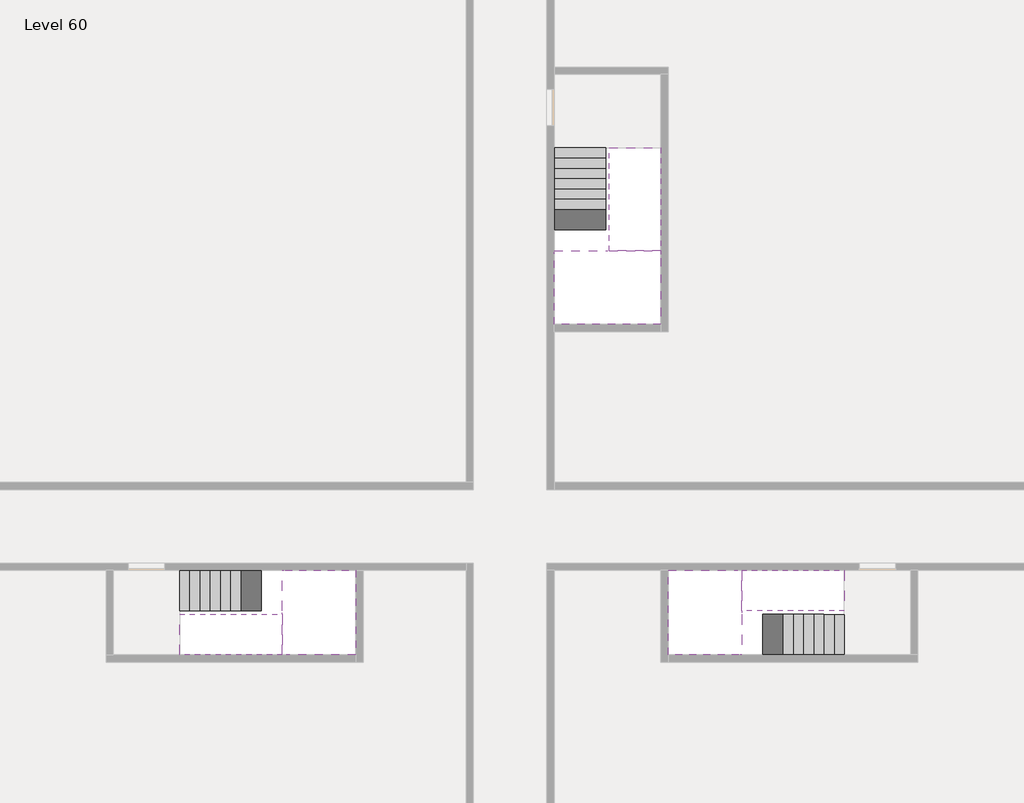
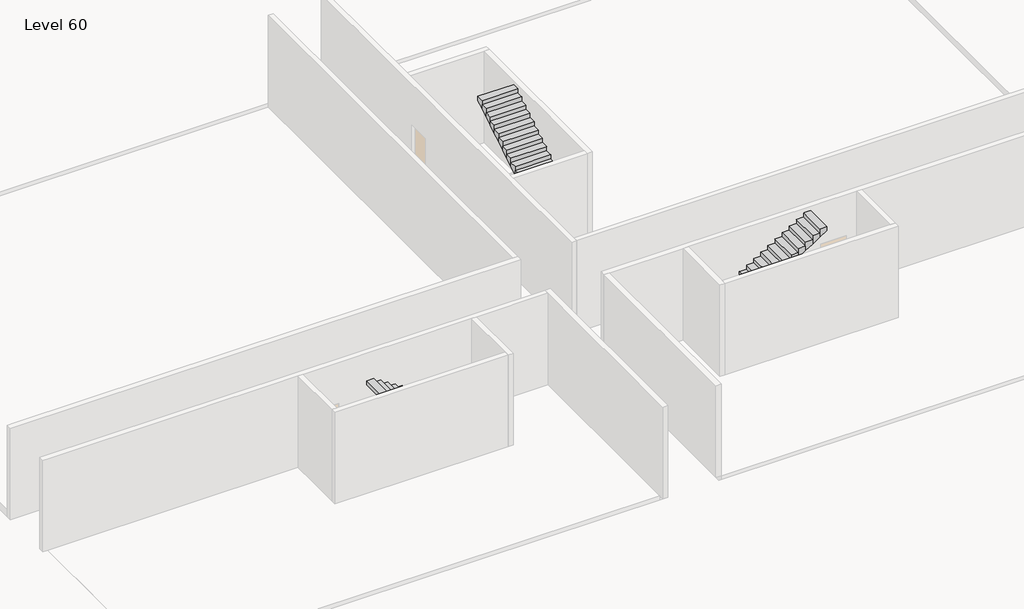
# One storey, part 2 of 2: 6 stair flights, 3 slabs.
"""IFC4 building model written with IfcOpenShell, lengths in millimetres."""

from ifc_helpers import new_model, si_unit, origin, place, context, project, spatial, faceted_brep, element, save

model = new_model("IFC4")

# Units and contexts
model_context = context("Model", 3, world=origin())
ifc_project = project(units=[si_unit("LENGTHUNIT", "METRE", prefix="MILLI")], contexts=[model_context])

# Site, building, storey
site = spatial("IfcSite", under=ifc_project)
building = spatial("IfcBuilding", under=site)
storey = spatial("IfcBuildingStorey", under=building, Name="Level 60", Elevation=224200.0)

# Slabs
placement = place(None, origin())
element("IfcSlab", 1, at=placement, inside=storey, context=model_context, shape_type="Brep", body=[
    faceted_brep([(26790.1058784, -34218.09644, 226100.0), (25390.1058784, -34218.09644, 226100.0), (25390.1058784, -34297.4828763, 226100.0), (25390.1058784, -36218.09644, 226100.0), (28290.1058784, -36218.09644, 226100.0), (28290.1058784, -34418.7100038, 226100.0), (28290.1058784, -34218.09644, 226100.0), (26890.1058784, -34218.09644, 226100.0), (26790.1058784, -34218.09644, 225800.0), (26790.1058784, -34218.09644, 225751.0278478), (25390.1058784, -34218.09644, 225751.0278478), (25390.1058784, -34218.09644, 225927.2727273), (25390.1058784, -34297.4828763, 225800.0), (25390.1058784, -36218.09644, 225800.0), (28290.1058784, -36218.09644, 225800.0), (28290.1058784, -34418.7100038, 225800.0), (28290.1058784, -34218.09644, 225923.7551205), (26890.1058784, -34218.09644, 225923.7551205), (26890.1058784, -34218.09644, 225800.0), (26890.1058784, -34418.7100038, 225800.0), (26790.1058784, -34297.4828763, 225800.0)], [[[0, 1, 2, 3, 4, 5, 6, 7]], [[1, 0, 8, 9, 10, 11]], [[1, 11, 10, 12, 13, 3, 2]], [[4, 3, 13, 14]], [[4, 14, 15, 16, 6, 5]], [[7, 6, 16, 17]], [[0, 7, 17, 18, 8]], [[18, 19, 15, 14, 13, 12, 20, 8]], [[19, 18, 17]], [[20, 12, 10, 9]], [[8, 20, 9]], [[15, 19, 17, 16]]]),
])
element("IfcSlab", 2, at=placement, inside=storey, context=model_context, shape_type="Brep", body=[
    faceted_brep([(30490.1058784, -45218.09644, 226100.0), (30490.1058784, -44118.09644, 226100.0), (30490.1058784, -44018.09644, 226100.0), (30490.1058784, -42918.09644, 226100.0), (30289.4923146, -42918.09644, 226100.0), (28490.1058784, -42918.09644, 226100.0), (28490.1058784, -45218.09644, 226100.0), (30410.7194421, -45218.09644, 226100.0), (30490.1058784, -45218.09644, 225927.2727273), (30490.1058784, -45218.09644, 225751.0278478), (30490.1058784, -44118.09644, 225751.0278478), (30490.1058784, -44118.09644, 225800.0), (30490.1058784, -44018.09644, 225800.0), (30490.1058784, -44018.09644, 225923.7551205), (30490.1058784, -42918.09644, 225923.7551205), (30289.4923146, -42918.09644, 225800.0), (28490.1058784, -42918.09644, 225800.0), (28490.1058784, -45218.09644, 225800.0), (30410.7194421, -45218.09644, 225800.0), (30289.4923146, -44018.09644, 225800.0), (30410.7194421, -44118.09644, 225800.0)], [[[0, 1, 2, 3, 4, 5, 6, 7]], [[1, 0, 8, 9, 10, 11]], [[2, 1, 11, 12, 13]], [[3, 2, 13, 14]], [[3, 14, 15, 16, 5, 4]], [[6, 5, 16, 17]], [[9, 8, 0, 7, 6, 17, 18]], [[19, 12, 11, 20, 18, 17, 16, 15]], [[12, 19, 13]], [[18, 20, 10, 9]], [[20, 11, 10]], [[19, 15, 14, 13]]]),
])
element("IfcSlab", 3, at=placement, inside=storey, context=model_context, shape_type="Brep", body=[
    faceted_brep([(17990.1058784, -42918.09644, 226100.0), (17990.1058784, -44018.09644, 226100.0), (17990.1058784, -44118.09644, 226100.0), (17990.1058784, -45218.09644, 226100.0), (18190.7194421, -45218.09644, 226100.0), (19990.1058784, -45218.09644, 226100.0), (19990.1058784, -42918.09644, 226100.0), (18069.4923146, -42918.09644, 226100.0), (17990.1058784, -42918.09644, 225927.2727273), (17990.1058784, -42918.09644, 225751.0278478), (17990.1058784, -44018.09644, 225751.0278478), (17990.1058784, -44018.09644, 225800.0), (17990.1058784, -44118.09644, 225800.0), (17990.1058784, -44118.09644, 225923.7551205), (17990.1058784, -45218.09644, 225923.7551205), (18190.7194421, -45218.09644, 225800.0), (19990.1058784, -45218.09644, 225800.0), (19990.1058784, -42918.09644, 225800.0), (18069.4923146, -42918.09644, 225800.0), (18190.7194421, -44118.09644, 225800.0), (18069.4923146, -44018.09644, 225800.0)], [[[0, 1, 2, 3, 4, 5, 6, 7]], [[1, 0, 8, 9, 10, 11]], [[2, 1, 11, 12, 13]], [[3, 2, 13, 14]], [[3, 14, 15, 16, 5, 4]], [[6, 5, 16, 17]], [[9, 8, 0, 7, 6, 17, 18]], [[19, 12, 11, 20, 18, 17, 16, 15]], [[12, 19, 13]], [[18, 20, 10, 9]], [[20, 11, 10]], [[19, 15, 14, 13]]]),
])

# Stair flights
element("IfcStairFlight", 4, at=placement, inside=storey, context=model_context, shape_type="Brep", body=[
    faceted_brep([(26790.1058784, -31698.09644, 224372.7272727), (26790.1058784, -31418.09644, 224372.7272727), (25390.1058784, -31418.09644, 224372.7272727), (25390.1058784, -31698.09644, 224372.7272727), (26790.1058784, -31698.09644, 224200.0), (26790.1058784, -31418.09644, 224200.0), (25390.1058784, -31418.09644, 224200.0), (25390.1058784, -31698.09644, 224200.0), (26790.1058784, -31978.09644, 224545.4545455), (26790.1058784, -31698.09644, 224545.4545455), (25390.1058784, -31698.09644, 224545.4545455), (25390.1058784, -31978.09644, 224545.4545455), (26790.1058784, -31978.09644, 224369.209666), (26790.1058784, -31703.7986657, 224200.0), (25390.1058784, -31703.7986657, 224200.0), (25390.1058784, -31978.09644, 224369.209666), (26790.1058784, -32258.09644, 224718.1818182), (26790.1058784, -31978.09644, 224718.1818182), (25390.1058784, -31978.09644, 224718.1818182), (25390.1058784, -32258.09644, 224718.1818182), (26790.1058784, -32258.09644, 224541.9369387), (25390.1058784, -32258.09644, 224541.9369387), (26790.1058784, -32538.09644, 224890.9090909), (26790.1058784, -32258.09644, 224890.9090909), (25390.1058784, -32258.09644, 224890.9090909), (25390.1058784, -32538.09644, 224890.9090909), (26790.1058784, -32538.09644, 224714.6642114), (25390.1058784, -32538.09644, 224714.6642114), (26790.1058784, -32818.09644, 225063.6363636), (26790.1058784, -32538.09644, 225063.6363636), (25390.1058784, -32538.09644, 225063.6363636), (25390.1058784, -32818.09644, 225063.6363636), (26790.1058784, -32818.09644, 224887.3914841), (25390.1058784, -32818.09644, 224887.3914841), (26790.1058784, -33098.09644, 225236.3636364), (26790.1058784, -32818.09644, 225236.3636364), (25390.1058784, -32818.09644, 225236.3636364), (25390.1058784, -33098.09644, 225236.3636364), (26790.1058784, -33098.09644, 225060.1187569), (25390.1058784, -33098.09644, 225060.1187569), (26790.1058784, -33378.09644, 225409.0909091), (26790.1058784, -33098.09644, 225409.0909091), (25390.1058784, -33098.09644, 225409.0909091), (25390.1058784, -33378.09644, 225409.0909091), (26790.1058784, -33378.09644, 225232.8460296), (25390.1058784, -33378.09644, 225232.8460296), (26790.1058784, -33658.09644, 225581.8181818), (26790.1058784, -33378.09644, 225581.8181818), (25390.1058784, -33378.09644, 225581.8181818), (25390.1058784, -33658.09644, 225581.8181818), (26790.1058784, -33658.09644, 225405.5733023), (25390.1058784, -33658.09644, 225405.5733023), (26790.1058784, -33938.09644, 225754.5454545), (26790.1058784, -33658.09644, 225754.5454545), (25390.1058784, -33658.09644, 225754.5454545), (25390.1058784, -33938.09644, 225754.5454545), (26790.1058784, -33938.09644, 225578.3005751), (25390.1058784, -33938.09644, 225578.3005751), (26790.1058784, -34218.09644, 225927.2727273), (26790.1058784, -33938.09644, 225927.2727273), (25390.1058784, -33938.09644, 225927.2727273), (25390.1058784, -34218.09644, 225927.2727273), (26790.1058784, -34218.09644, 225800.0), (26790.1058784, -34218.09644, 225751.0278478), (25390.1058784, -34218.09644, 225751.0278478)], [[[0, 1, 2, 3]], [[1, 0, 4, 5]], [[2, 1, 5, 6]], [[3, 2, 6, 7]], [[8, 9, 10, 11]], [[4, 0, 9, 8, 12, 13]], [[0, 3, 10, 9]], [[3, 7, 14, 15, 11, 10]], [[16, 17, 18, 19]], [[17, 16, 20, 12, 8]], [[8, 11, 18, 17]], [[19, 18, 11, 15, 21]], [[22, 23, 24, 25]], [[23, 22, 26, 20, 16]], [[16, 19, 24, 23]], [[25, 24, 19, 21, 27]], [[28, 29, 30, 31]], [[29, 28, 32, 26, 22]], [[22, 25, 30, 29]], [[31, 30, 25, 27, 33]], [[34, 35, 36, 37]], [[35, 34, 38, 32, 28]], [[28, 31, 36, 35]], [[37, 36, 31, 33, 39]], [[40, 41, 42, 43]], [[41, 40, 44, 38, 34]], [[34, 37, 42, 41]], [[43, 42, 37, 39, 45]], [[46, 47, 48, 49]], [[47, 46, 50, 44, 40]], [[40, 43, 48, 47]], [[49, 48, 43, 45, 51]], [[52, 53, 54, 55]], [[53, 52, 56, 50, 46]], [[46, 49, 54, 53]], [[55, 54, 49, 51, 57]], [[58, 59, 60, 61]], [[59, 58, 62, 63, 56, 52]], [[52, 55, 60, 59]], [[61, 60, 55, 57, 64]], [[58, 61, 64, 63, 62]], [[5, 4, 13, 14, 7, 6]], [[14, 13, 12, 20, 26, 32, 38, 44, 50, 56, 63, 64, 57, 51, 45, 39, 33, 27, 21, 15]]]),
])
element("IfcStairFlight", 5, at=placement, inside=storey, context=model_context, shape_type="Brep", body=[
    faceted_brep([(26890.1058784, -33938.09644, 226272.7272727), (26890.1058784, -34218.09644, 226272.7272727), (28290.1058784, -34218.09644, 226272.7272727), (28290.1058784, -33938.09644, 226272.7272727), (26890.1058784, -33938.09644, 226096.4823932), (26890.1058784, -34218.09644, 225923.7551205), (28290.1058784, -34218.09644, 225923.7551205), (28290.1058784, -34218.09644, 226100.0), (28290.1058784, -33938.09644, 226096.4823932), (26890.1058784, -33658.09644, 226445.4545455), (26890.1058784, -33938.09644, 226445.4545455), (28290.1058784, -33938.09644, 226445.4545455), (28290.1058784, -33658.09644, 226445.4545455), (26890.1058784, -33658.09644, 226269.209666), (28290.1058784, -33658.09644, 226269.209666), (26890.1058784, -33378.09644, 226618.1818182), (26890.1058784, -33658.09644, 226618.1818182), (28290.1058784, -33658.09644, 226618.1818182), (28290.1058784, -33378.09644, 226618.1818182), (26890.1058784, -33378.09644, 226441.9369387), (28290.1058784, -33378.09644, 226441.9369387), (26890.1058784, -33098.09644, 226790.9090909), (26890.1058784, -33378.09644, 226790.9090909), (28290.1058784, -33378.09644, 226790.9090909), (28290.1058784, -33098.09644, 226790.9090909), (26890.1058784, -33098.09644, 226614.6642114), (28290.1058784, -33098.09644, 226614.6642114), (26890.1058784, -32818.09644, 226963.6363636), (26890.1058784, -33098.09644, 226963.6363636), (28290.1058784, -33098.09644, 226963.6363636), (28290.1058784, -32818.09644, 226963.6363636), (26890.1058784, -32818.09644, 226787.3914841), (28290.1058784, -32818.09644, 226787.3914841), (26890.1058784, -32538.09644, 227136.3636364), (26890.1058784, -32818.09644, 227136.3636364), (28290.1058784, -32818.09644, 227136.3636364), (28290.1058784, -32538.09644, 227136.3636364), (26890.1058784, -32538.09644, 226960.1187569), (28290.1058784, -32538.09644, 226960.1187569), (26890.1058784, -32258.09644, 227309.0909091), (26890.1058784, -32538.09644, 227309.0909091), (28290.1058784, -32538.09644, 227309.0909091), (28290.1058784, -32258.09644, 227309.0909091), (26890.1058784, -32258.09644, 227132.8460296), (28290.1058784, -32258.09644, 227132.8460296), (26890.1058784, -31978.09644, 227481.8181818), (26890.1058784, -32258.09644, 227481.8181818), (28290.1058784, -32258.09644, 227481.8181818), (28290.1058784, -31978.09644, 227481.8181818), (26890.1058784, -31978.09644, 227305.5733023), (28290.1058784, -31978.09644, 227305.5733023), (26890.1058784, -31698.09644, 227654.5454545), (26890.1058784, -31978.09644, 227654.5454545), (28290.1058784, -31978.09644, 227654.5454545), (28290.1058784, -31698.09644, 227654.5454545), (26890.1058784, -31698.09644, 227478.3005751), (28290.1058784, -31698.09644, 227478.3005751), (26890.1058784, -31418.09644, 227827.2727273), (26890.1058784, -31698.09644, 227827.2727273), (28290.1058784, -31698.09644, 227827.2727273), (28290.1058784, -31418.09644, 227827.2727273), (26890.1058784, -31418.09644, 227651.0278478), (28290.1058784, -31418.09644, 227651.0278478)], [[[0, 1, 2, 3]], [[1, 0, 4, 5]], [[2, 1, 5, 6, 7]], [[3, 2, 7, 6, 8]], [[9, 10, 11, 12]], [[10, 9, 13, 4, 0]], [[11, 10, 0, 3]], [[12, 11, 3, 8, 14]], [[15, 16, 17, 18]], [[16, 15, 19, 13, 9]], [[17, 16, 9, 12]], [[18, 17, 12, 14, 20]], [[21, 22, 23, 24]], [[22, 21, 25, 19, 15]], [[23, 22, 15, 18]], [[24, 23, 18, 20, 26]], [[27, 28, 29, 30]], [[28, 27, 31, 25, 21]], [[29, 28, 21, 24]], [[30, 29, 24, 26, 32]], [[33, 34, 35, 36]], [[34, 33, 37, 31, 27]], [[35, 34, 27, 30]], [[36, 35, 30, 32, 38]], [[39, 40, 41, 42]], [[40, 39, 43, 37, 33]], [[41, 40, 33, 36]], [[42, 41, 36, 38, 44]], [[45, 46, 47, 48]], [[46, 45, 49, 43, 39]], [[47, 46, 39, 42]], [[48, 47, 42, 44, 50]], [[51, 52, 53, 54]], [[52, 51, 55, 49, 45]], [[53, 52, 45, 48]], [[54, 53, 48, 50, 56]], [[57, 58, 59, 60]], [[58, 57, 61, 55, 51]], [[59, 58, 51, 54]], [[60, 59, 54, 56, 62]], [[57, 60, 62, 61]], [[5, 4, 13, 19, 25, 31, 37, 43, 49, 55, 61, 62, 56, 50, 44, 38, 32, 26, 20, 14, 8, 6]]]),
])
element("IfcStairFlight", 6, at=placement, inside=storey, context=model_context, shape_type="Brep", body=[
    faceted_brep([(33010.1058784, -45218.09644, 224372.7272727), (33290.1058784, -45218.09644, 224372.7272727), (33290.1058784, -44118.09644, 224372.7272727), (33010.1058784, -44118.09644, 224372.7272727), (33010.1058784, -45218.09644, 224200.0), (33290.1058784, -45218.09644, 224200.0), (33290.1058784, -44118.09644, 224200.0), (33010.1058784, -44118.09644, 224200.0), (32730.1058784, -45218.09644, 224545.4545455), (33010.1058784, -45218.09644, 224545.4545455), (33010.1058784, -44118.09644, 224545.4545455), (32730.1058784, -44118.09644, 224545.4545455), (32730.1058784, -45218.09644, 224369.209666), (33004.4036527, -45218.09644, 224200.0), (33004.4036527, -44118.09644, 224200.0), (32730.1058784, -44118.09644, 224369.209666), (32450.1058784, -45218.09644, 224718.1818182), (32730.1058784, -45218.09644, 224718.1818182), (32730.1058784, -44118.09644, 224718.1818182), (32450.1058784, -44118.09644, 224718.1818182), (32450.1058784, -45218.09644, 224541.9369387), (32450.1058784, -44118.09644, 224541.9369387), (32170.1058784, -45218.09644, 224890.9090909), (32450.1058784, -45218.09644, 224890.9090909), (32450.1058784, -44118.09644, 224890.9090909), (32170.1058784, -44118.09644, 224890.9090909), (32170.1058784, -45218.09644, 224714.6642114), (32170.1058784, -44118.09644, 224714.6642114), (31890.1058784, -45218.09644, 225063.6363636), (32170.1058784, -45218.09644, 225063.6363636), (32170.1058784, -44118.09644, 225063.6363636), (31890.1058784, -44118.09644, 225063.6363636), (31890.1058784, -45218.09644, 224887.3914841), (31890.1058784, -44118.09644, 224887.3914841), (31610.1058784, -45218.09644, 225236.3636364), (31890.1058784, -45218.09644, 225236.3636364), (31890.1058784, -44118.09644, 225236.3636364), (31610.1058784, -44118.09644, 225236.3636364), (31610.1058784, -45218.09644, 225060.1187569), (31610.1058784, -44118.09644, 225060.1187569), (31330.1058784, -45218.09644, 225409.0909091), (31610.1058784, -45218.09644, 225409.0909091), (31610.1058784, -44118.09644, 225409.0909091), (31330.1058784, -44118.09644, 225409.0909091), (31330.1058784, -45218.09644, 225232.8460296), (31330.1058784, -44118.09644, 225232.8460296), (31050.1058784, -45218.09644, 225581.8181818), (31330.1058784, -45218.09644, 225581.8181818), (31330.1058784, -44118.09644, 225581.8181818), (31050.1058784, -44118.09644, 225581.8181818), (31050.1058784, -45218.09644, 225405.5733023), (31050.1058784, -44118.09644, 225405.5733023), (30770.1058784, -45218.09644, 225754.5454545), (31050.1058784, -45218.09644, 225754.5454545), (31050.1058784, -44118.09644, 225754.5454545), (30770.1058784, -44118.09644, 225754.5454545), (30770.1058784, -45218.09644, 225578.3005751), (30770.1058784, -44118.09644, 225578.3005751), (30490.1058784, -45218.09644, 225927.2727273), (30770.1058784, -45218.09644, 225927.2727273), (30770.1058784, -44118.09644, 225927.2727273), (30490.1058784, -44118.09644, 225927.2727273), (30490.1058784, -45218.09644, 225751.0278478), (30490.1058784, -44118.09644, 225751.0278478), (30490.1058784, -44118.09644, 225800.0)], [[[0, 1, 2, 3]], [[1, 0, 4, 5]], [[2, 1, 5, 6]], [[3, 2, 6, 7]], [[8, 9, 10, 11]], [[4, 0, 9, 8, 12, 13]], [[0, 3, 10, 9]], [[3, 7, 14, 15, 11, 10]], [[16, 17, 18, 19]], [[17, 16, 20, 12, 8]], [[8, 11, 18, 17]], [[19, 18, 11, 15, 21]], [[22, 23, 24, 25]], [[23, 22, 26, 20, 16]], [[16, 19, 24, 23]], [[25, 24, 19, 21, 27]], [[28, 29, 30, 31]], [[29, 28, 32, 26, 22]], [[22, 25, 30, 29]], [[31, 30, 25, 27, 33]], [[34, 35, 36, 37]], [[35, 34, 38, 32, 28]], [[28, 31, 36, 35]], [[37, 36, 31, 33, 39]], [[40, 41, 42, 43]], [[41, 40, 44, 38, 34]], [[34, 37, 42, 41]], [[43, 42, 37, 39, 45]], [[46, 47, 48, 49]], [[47, 46, 50, 44, 40]], [[40, 43, 48, 47]], [[49, 48, 43, 45, 51]], [[52, 53, 54, 55]], [[53, 52, 56, 50, 46]], [[46, 49, 54, 53]], [[55, 54, 49, 51, 57]], [[58, 59, 60, 61]], [[59, 58, 62, 56, 52]], [[52, 55, 60, 59]], [[61, 60, 55, 57, 63, 64]], [[58, 61, 64, 63, 62]], [[5, 4, 13, 14, 7, 6]], [[14, 13, 12, 20, 26, 32, 38, 44, 50, 56, 62, 63, 57, 51, 45, 39, 33, 27, 21, 15]]]),
])
element("IfcStairFlight", 7, at=placement, inside=storey, context=model_context, shape_type="Brep", body=[
    faceted_brep([(30770.1058784, -42918.09644, 226272.7272727), (30490.1058784, -42918.09644, 226272.7272727), (30490.1058784, -44018.09644, 226272.7272727), (30770.1058784, -44018.09644, 226272.7272727), (30770.1058784, -42918.09644, 226096.4823932), (30490.1058784, -42918.09644, 225923.7551205), (30490.1058784, -42918.09644, 226100.0), (30490.1058784, -44018.09644, 225923.7551205), (30770.1058784, -44018.09644, 226096.4823932), (31050.1058784, -42918.09644, 226445.4545455), (30770.1058784, -42918.09644, 226445.4545455), (30770.1058784, -44018.09644, 226445.4545455), (31050.1058784, -44018.09644, 226445.4545455), (31050.1058784, -42918.09644, 226269.209666), (31050.1058784, -44018.09644, 226269.209666), (31330.1058784, -42918.09644, 226618.1818182), (31050.1058784, -42918.09644, 226618.1818182), (31050.1058784, -44018.09644, 226618.1818182), (31330.1058784, -44018.09644, 226618.1818182), (31330.1058784, -42918.09644, 226441.9369387), (31330.1058784, -44018.09644, 226441.9369387), (31610.1058784, -42918.09644, 226790.9090909), (31330.1058784, -42918.09644, 226790.9090909), (31330.1058784, -44018.09644, 226790.9090909), (31610.1058784, -44018.09644, 226790.9090909), (31610.1058784, -42918.09644, 226614.6642114), (31610.1058784, -44018.09644, 226614.6642114), (31890.1058784, -42918.09644, 226963.6363636), (31610.1058784, -42918.09644, 226963.6363636), (31610.1058784, -44018.09644, 226963.6363636), (31890.1058784, -44018.09644, 226963.6363636), (31890.1058784, -42918.09644, 226787.3914841), (31890.1058784, -44018.09644, 226787.3914841), (32170.1058784, -42918.09644, 227136.3636364), (31890.1058784, -42918.09644, 227136.3636364), (31890.1058784, -44018.09644, 227136.3636364), (32170.1058784, -44018.09644, 227136.3636364), (32170.1058784, -42918.09644, 226960.1187569), (32170.1058784, -44018.09644, 226960.1187569), (32450.1058784, -42918.09644, 227309.0909091), (32170.1058784, -42918.09644, 227309.0909091), (32170.1058784, -44018.09644, 227309.0909091), (32450.1058784, -44018.09644, 227309.0909091), (32450.1058784, -42918.09644, 227132.8460296), (32450.1058784, -44018.09644, 227132.8460296), (32730.1058784, -42918.09644, 227481.8181818), (32450.1058784, -42918.09644, 227481.8181818), (32450.1058784, -44018.09644, 227481.8181818), (32730.1058784, -44018.09644, 227481.8181818), (32730.1058784, -42918.09644, 227305.5733023), (32730.1058784, -44018.09644, 227305.5733023), (33010.1058784, -42918.09644, 227654.5454545), (32730.1058784, -42918.09644, 227654.5454545), (32730.1058784, -44018.09644, 227654.5454545), (33010.1058784, -44018.09644, 227654.5454545), (33010.1058784, -42918.09644, 227478.3005751), (33010.1058784, -44018.09644, 227478.3005751), (33290.1058784, -42918.09644, 227827.2727273), (33010.1058784, -42918.09644, 227827.2727273), (33010.1058784, -44018.09644, 227827.2727273), (33290.1058784, -44018.09644, 227827.2727273), (33290.1058784, -42918.09644, 227651.0278478), (33290.1058784, -44018.09644, 227651.0278478)], [[[0, 1, 2, 3]], [[1, 0, 4, 5, 6]], [[2, 1, 6, 5, 7]], [[3, 2, 7, 8]], [[9, 10, 11, 12]], [[10, 9, 13, 4, 0]], [[11, 10, 0, 3]], [[12, 11, 3, 8, 14]], [[15, 16, 17, 18]], [[16, 15, 19, 13, 9]], [[17, 16, 9, 12]], [[18, 17, 12, 14, 20]], [[21, 22, 23, 24]], [[22, 21, 25, 19, 15]], [[23, 22, 15, 18]], [[24, 23, 18, 20, 26]], [[27, 28, 29, 30]], [[28, 27, 31, 25, 21]], [[29, 28, 21, 24]], [[30, 29, 24, 26, 32]], [[33, 34, 35, 36]], [[34, 33, 37, 31, 27]], [[35, 34, 27, 30]], [[36, 35, 30, 32, 38]], [[39, 40, 41, 42]], [[40, 39, 43, 37, 33]], [[41, 40, 33, 36]], [[42, 41, 36, 38, 44]], [[45, 46, 47, 48]], [[46, 45, 49, 43, 39]], [[47, 46, 39, 42]], [[48, 47, 42, 44, 50]], [[51, 52, 53, 54]], [[52, 51, 55, 49, 45]], [[53, 52, 45, 48]], [[54, 53, 48, 50, 56]], [[57, 58, 59, 60]], [[58, 57, 61, 55, 51]], [[59, 58, 51, 54]], [[60, 59, 54, 56, 62]], [[57, 60, 62, 61]], [[5, 4, 13, 19, 25, 31, 37, 43, 49, 55, 61, 62, 56, 50, 44, 38, 32, 26, 20, 14, 8, 7]]]),
])
element("IfcStairFlight", 8, at=placement, inside=storey, context=model_context, shape_type="Brep", body=[
    faceted_brep([(15470.1058784, -42918.09644, 224372.7272727), (15190.1058784, -42918.09644, 224372.7272727), (15190.1058784, -44018.09644, 224372.7272727), (15470.1058784, -44018.09644, 224372.7272727), (15470.1058784, -42918.09644, 224200.0), (15190.1058784, -42918.09644, 224200.0), (15190.1058784, -44018.09644, 224200.0), (15470.1058784, -44018.09644, 224200.0), (15750.1058784, -42918.09644, 224545.4545455), (15470.1058784, -42918.09644, 224545.4545455), (15470.1058784, -44018.09644, 224545.4545455), (15750.1058784, -44018.09644, 224545.4545455), (15750.1058784, -42918.09644, 224369.209666), (15475.8081041, -42918.09644, 224200.0), (15475.8081041, -44018.09644, 224200.0), (15750.1058784, -44018.09644, 224369.209666), (16030.1058784, -42918.09644, 224718.1818182), (15750.1058784, -42918.09644, 224718.1818182), (15750.1058784, -44018.09644, 224718.1818182), (16030.1058784, -44018.09644, 224718.1818182), (16030.1058784, -42918.09644, 224541.9369387), (16030.1058784, -44018.09644, 224541.9369387), (16310.1058784, -42918.09644, 224890.9090909), (16030.1058784, -42918.09644, 224890.9090909), (16030.1058784, -44018.09644, 224890.9090909), (16310.1058784, -44018.09644, 224890.9090909), (16310.1058784, -42918.09644, 224714.6642114), (16310.1058784, -44018.09644, 224714.6642114), (16590.1058784, -42918.09644, 225063.6363636), (16310.1058784, -42918.09644, 225063.6363636), (16310.1058784, -44018.09644, 225063.6363636), (16590.1058784, -44018.09644, 225063.6363636), (16590.1058784, -42918.09644, 224887.3914841), (16590.1058784, -44018.09644, 224887.3914841), (16870.1058784, -42918.09644, 225236.3636364), (16590.1058784, -42918.09644, 225236.3636364), (16590.1058784, -44018.09644, 225236.3636364), (16870.1058784, -44018.09644, 225236.3636364), (16870.1058784, -42918.09644, 225060.1187569), (16870.1058784, -44018.09644, 225060.1187569), (17150.1058784, -42918.09644, 225409.0909091), (16870.1058784, -42918.09644, 225409.0909091), (16870.1058784, -44018.09644, 225409.0909091), (17150.1058784, -44018.09644, 225409.0909091), (17150.1058784, -42918.09644, 225232.8460296), (17150.1058784, -44018.09644, 225232.8460296), (17430.1058784, -42918.09644, 225581.8181818), (17150.1058784, -42918.09644, 225581.8181818), (17150.1058784, -44018.09644, 225581.8181818), (17430.1058784, -44018.09644, 225581.8181818), (17430.1058784, -42918.09644, 225405.5733023), (17430.1058784, -44018.09644, 225405.5733023), (17710.1058784, -42918.09644, 225754.5454545), (17430.1058784, -42918.09644, 225754.5454545), (17430.1058784, -44018.09644, 225754.5454545), (17710.1058784, -44018.09644, 225754.5454545), (17710.1058784, -42918.09644, 225578.3005751), (17710.1058784, -44018.09644, 225578.3005751), (17990.1058784, -42918.09644, 225927.2727273), (17710.1058784, -42918.09644, 225927.2727273), (17710.1058784, -44018.09644, 225927.2727273), (17990.1058784, -44018.09644, 225927.2727273), (17990.1058784, -42918.09644, 225751.0278478), (17990.1058784, -44018.09644, 225751.0278478), (17990.1058784, -44018.09644, 225800.0)], [[[0, 1, 2, 3]], [[1, 0, 4, 5]], [[2, 1, 5, 6]], [[3, 2, 6, 7]], [[8, 9, 10, 11]], [[4, 0, 9, 8, 12, 13]], [[0, 3, 10, 9]], [[3, 7, 14, 15, 11, 10]], [[16, 17, 18, 19]], [[17, 16, 20, 12, 8]], [[8, 11, 18, 17]], [[19, 18, 11, 15, 21]], [[22, 23, 24, 25]], [[23, 22, 26, 20, 16]], [[16, 19, 24, 23]], [[25, 24, 19, 21, 27]], [[28, 29, 30, 31]], [[29, 28, 32, 26, 22]], [[22, 25, 30, 29]], [[31, 30, 25, 27, 33]], [[34, 35, 36, 37]], [[35, 34, 38, 32, 28]], [[28, 31, 36, 35]], [[37, 36, 31, 33, 39]], [[40, 41, 42, 43]], [[41, 40, 44, 38, 34]], [[34, 37, 42, 41]], [[43, 42, 37, 39, 45]], [[46, 47, 48, 49]], [[47, 46, 50, 44, 40]], [[40, 43, 48, 47]], [[49, 48, 43, 45, 51]], [[52, 53, 54, 55]], [[53, 52, 56, 50, 46]], [[46, 49, 54, 53]], [[55, 54, 49, 51, 57]], [[58, 59, 60, 61]], [[59, 58, 62, 56, 52]], [[52, 55, 60, 59]], [[61, 60, 55, 57, 63, 64]], [[58, 61, 64, 63, 62]], [[5, 4, 13, 14, 7, 6]], [[14, 13, 12, 20, 26, 32, 38, 44, 50, 56, 62, 63, 57, 51, 45, 39, 33, 27, 21, 15]]]),
])
element("IfcStairFlight", 9, at=placement, inside=storey, context=model_context, shape_type="Brep", body=[
    faceted_brep([(17710.1058784, -45218.09644, 226272.7272727), (17990.1058784, -45218.09644, 226272.7272727), (17990.1058784, -44118.09644, 226272.7272727), (17710.1058784, -44118.09644, 226272.7272727), (17710.1058784, -45218.09644, 226096.4823932), (17990.1058784, -45218.09644, 225923.7551205), (17990.1058784, -45218.09644, 226100.0), (17990.1058784, -44118.09644, 225923.7551205), (17710.1058784, -44118.09644, 226096.4823932), (17430.1058784, -45218.09644, 226445.4545455), (17710.1058784, -45218.09644, 226445.4545455), (17710.1058784, -44118.09644, 226445.4545455), (17430.1058784, -44118.09644, 226445.4545455), (17430.1058784, -45218.09644, 226269.209666), (17430.1058784, -44118.09644, 226269.209666), (17150.1058784, -45218.09644, 226618.1818182), (17430.1058784, -45218.09644, 226618.1818182), (17430.1058784, -44118.09644, 226618.1818182), (17150.1058784, -44118.09644, 226618.1818182), (17150.1058784, -45218.09644, 226441.9369387), (17150.1058784, -44118.09644, 226441.9369387), (16870.1058784, -45218.09644, 226790.9090909), (17150.1058784, -45218.09644, 226790.9090909), (17150.1058784, -44118.09644, 226790.9090909), (16870.1058784, -44118.09644, 226790.9090909), (16870.1058784, -45218.09644, 226614.6642114), (16870.1058784, -44118.09644, 226614.6642114), (16590.1058784, -45218.09644, 226963.6363636), (16870.1058784, -45218.09644, 226963.6363636), (16870.1058784, -44118.09644, 226963.6363636), (16590.1058784, -44118.09644, 226963.6363636), (16590.1058784, -45218.09644, 226787.3914841), (16590.1058784, -44118.09644, 226787.3914841), (16310.1058784, -45218.09644, 227136.3636364), (16590.1058784, -45218.09644, 227136.3636364), (16590.1058784, -44118.09644, 227136.3636364), (16310.1058784, -44118.09644, 227136.3636364), (16310.1058784, -45218.09644, 226960.1187569), (16310.1058784, -44118.09644, 226960.1187569), (16030.1058784, -45218.09644, 227309.0909091), (16310.1058784, -45218.09644, 227309.0909091), (16310.1058784, -44118.09644, 227309.0909091), (16030.1058784, -44118.09644, 227309.0909091), (16030.1058784, -45218.09644, 227132.8460296), (16030.1058784, -44118.09644, 227132.8460296), (15750.1058784, -45218.09644, 227481.8181818), (16030.1058784, -45218.09644, 227481.8181818), (16030.1058784, -44118.09644, 227481.8181818), (15750.1058784, -44118.09644, 227481.8181818), (15750.1058784, -45218.09644, 227305.5733023), (15750.1058784, -44118.09644, 227305.5733023), (15470.1058784, -45218.09644, 227654.5454545), (15750.1058784, -45218.09644, 227654.5454545), (15750.1058784, -44118.09644, 227654.5454545), (15470.1058784, -44118.09644, 227654.5454545), (15470.1058784, -45218.09644, 227478.3005751), (15470.1058784, -44118.09644, 227478.3005751), (15190.1058784, -45218.09644, 227827.2727273), (15470.1058784, -45218.09644, 227827.2727273), (15470.1058784, -44118.09644, 227827.2727273), (15190.1058784, -44118.09644, 227827.2727273), (15190.1058784, -45218.09644, 227651.0278478), (15190.1058784, -44118.09644, 227651.0278478)], [[[0, 1, 2, 3]], [[1, 0, 4, 5, 6]], [[2, 1, 6, 5, 7]], [[3, 2, 7, 8]], [[9, 10, 11, 12]], [[10, 9, 13, 4, 0]], [[11, 10, 0, 3]], [[12, 11, 3, 8, 14]], [[15, 16, 17, 18]], [[16, 15, 19, 13, 9]], [[17, 16, 9, 12]], [[18, 17, 12, 14, 20]], [[21, 22, 23, 24]], [[22, 21, 25, 19, 15]], [[23, 22, 15, 18]], [[24, 23, 18, 20, 26]], [[27, 28, 29, 30]], [[28, 27, 31, 25, 21]], [[29, 28, 21, 24]], [[30, 29, 24, 26, 32]], [[33, 34, 35, 36]], [[34, 33, 37, 31, 27]], [[35, 34, 27, 30]], [[36, 35, 30, 32, 38]], [[39, 40, 41, 42]], [[40, 39, 43, 37, 33]], [[41, 40, 33, 36]], [[42, 41, 36, 38, 44]], [[45, 46, 47, 48]], [[46, 45, 49, 43, 39]], [[47, 46, 39, 42]], [[48, 47, 42, 44, 50]], [[51, 52, 53, 54]], [[52, 51, 55, 49, 45]], [[53, 52, 45, 48]], [[54, 53, 48, 50, 56]], [[57, 58, 59, 60]], [[58, 57, 61, 55, 51]], [[59, 58, 51, 54]], [[60, 59, 54, 56, 62]], [[57, 60, 62, 61]], [[5, 4, 13, 19, 25, 31, 37, 43, 49, 55, 61, 62, 56, 50, 44, 38, 32, 26, 20, 14, 8, 7]]]),
])

save(model, "model.ifc")
